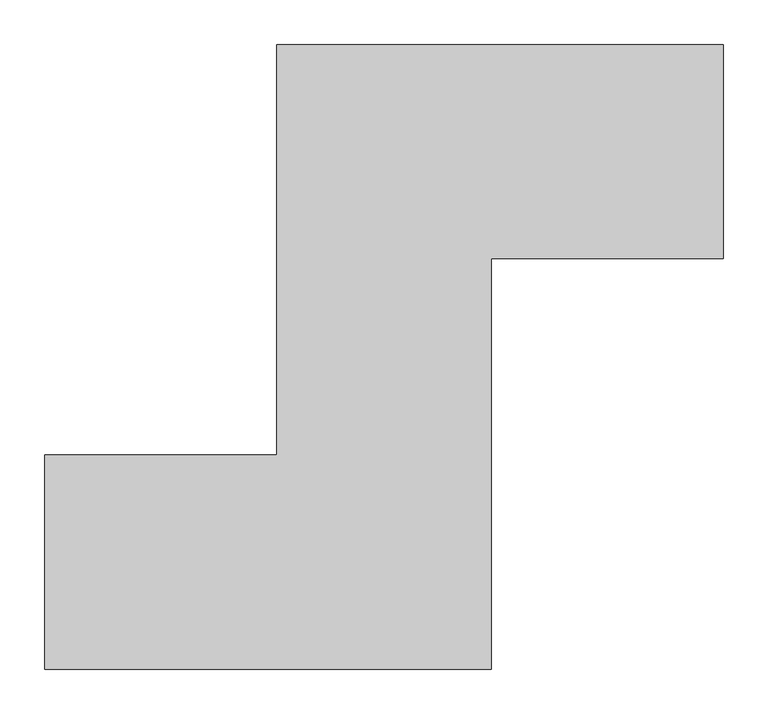
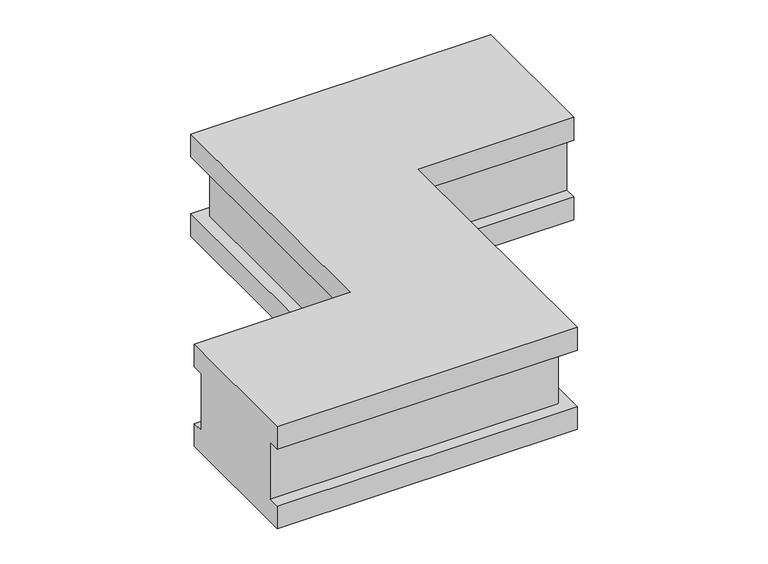
"""IFC4 building model written with IfcOpenShell, lengths in millimetres: proxy geometry."""

import ifcopenshell
import ifcopenshell.guid

model = None  # the IFC model being written
_history = None  # IfcOwnerHistory: only IFC2X3 demands one
_inside = {}  # id of a spatial element -> (the spatial element, [elements in it])
_under = {}  # id of a project, library or spatial element -> (it, [spatial elements below it])
_declared = {}  # id of a project -> (the project, [libraries it declares])
_typed = {}  # id of a type object -> (the type object, [elements of that type])
_made_of = {}  # id of a material, layer set ... -> (it, [elements and type objects made of it])


def new_model(schema):
    """Start an empty IFC model of exactly this schema.

    Asked for "IFC4X3", IfcOpenShell would pick the latest addendum, in which some entities
    have other attributes; the version numbers below select the first issue.
    IFC2X3 requires an IfcOwnerHistory on every rooted entity: one is made here for all.
    """
    global model, _history
    if schema == "IFC4X3":
        model = ifcopenshell.file(schema_version=(4, 3, 0, 0))
    else:
        model = ifcopenshell.file(schema=schema)
    _inside.clear()
    _under.clear()
    _declared.clear()
    _typed.clear()
    _made_of.clear()
    _history = None
    if model.schema == "IFC2X3":
        org = make("IfcOrganization", Name="unknown")
        user = make(
            "IfcPersonAndOrganization",
            ThePerson=make("IfcPerson", FamilyName="unknown"),
            TheOrganization=org,
        )
        app = make(
            "IfcApplication",
            ApplicationDeveloper=org,
            Version="unknown",
            ApplicationFullName="unknown",
            ApplicationIdentifier="unknown",
        )
        _history = make(
            "IfcOwnerHistory",
            OwningUser=user,
            OwningApplication=app,
            ChangeAction="ADDED",
            CreationDate=0,
        )
    return model


def make(cls, **values):
    """One entity of the class cls with the attributes given. An attribute that is None is left unset."""
    return model.create_entity(
        cls, **{name: value for name, value in values.items() if value is not None}
    )


def rooted(cls, **values):
    """An entity with a GlobalId (a new one), such as an element, a storey or a relation."""
    return make(cls, GlobalId=ifcopenshell.guid.new(), OwnerHistory=_history, **values)


def si_unit(unit_type, name, prefix=None):
    """IfcSIUnit, for example si_unit("LENGTHUNIT", "METRE", prefix="MILLI")."""
    return make("IfcSIUnit", UnitType=unit_type, Prefix=prefix, Name=name)


def assignment(units):
    """IfcUnitAssignment: the units of a project."""
    return None if units is None else make("IfcUnitAssignment", Units=units)


def point(xyz):
    """IfcCartesianPoint."""
    return None if xyz is None else make("IfcCartesianPoint", Coordinates=xyz)


def direction(xyz):
    """IfcDirection."""
    return None if xyz is None else make("IfcDirection", DirectionRatios=xyz)


def frame(location, z_axis=None, x_axis=None):
    """IfcAxis2Placement3D, a coordinate frame: its origin and axes. An axis left out is left unset."""
    return make(
        "IfcAxis2Placement3D",
        Location=point(location),
        Axis=direction(z_axis),
        RefDirection=direction(x_axis),
    )


def origin():
    """The frame at (0, 0, 0) with its axes left unset."""
    return frame((0.0, 0.0, 0.0))


def place(relative_to, where):
    """IfcLocalPlacement: puts the frame where relative to a parent placement (None: the world)."""
    return make(
        "IfcLocalPlacement", PlacementRelTo=relative_to, RelativePlacement=where
    )


def context(
    kind, dimensions, precision=None, world=None, true_north=None, identifier=None
):
    """IfcGeometricRepresentationContext, for example the 3D "Model" context."""
    return make(
        "IfcGeometricRepresentationContext",
        ContextIdentifier=identifier,
        ContextType=kind,
        CoordinateSpaceDimension=dimensions,
        Precision=precision,
        WorldCoordinateSystem=world,
        TrueNorth=true_north,
    )


def project(units=None, contexts=None):
    """IfcProject with its units and contexts."""
    return rooted(
        "IfcProject",
        Name="project",
        RepresentationContexts=contexts,
        UnitsInContext=assignment(units),
    )


def spatial(cls, under=None, at=None, **own):
    """A site, building, storey or space (cls), placed at a placement, below another one or the project."""
    s = rooted(cls, ObjectPlacement=at, **own)
    if under is not None:
        _under.setdefault(under.id(), (under, []))[1].append(s)
    return s


def faces_of(points, faces, orient=None, outer=None):
    """IfcFace entities. A face is a list of loops; a loop is a list of indices into points, from 0.

    orient and outer hold one flag for each loop. By default every Orientation is true, the
    first loop of a face is its IfcFaceOuterBound and the others are IfcFaceBound.
    """
    made = []
    for i, loops in enumerate(faces):
        bounds = []
        for j, loop in enumerate(loops):
            is_outer = j == 0 if outer is None else outer[i][j]
            bounds.append(
                make(
                    "IfcFaceOuterBound" if is_outer else "IfcFaceBound",
                    Bound=make("IfcPolyLoop", Polygon=[points[k] for k in loop]),
                    Orientation=True if orient is None else orient[i][j],
                )
            )
        made.append(make("IfcFace", Bounds=bounds))
    return made


def faceted_brep(points, faces, orient=None, outer=None, voids=None):
    """IfcFacetedBrep: a solid bounded by flat faces; with voids (closed shells), ...WithVoids."""
    shared = [point(p) for p in points]
    hull = make("IfcClosedShell", CfsFaces=faces_of(shared, faces, orient, outer))
    if voids is None:
        return make("IfcFacetedBrep", Outer=hull)
    return make(
        "IfcFacetedBrepWithVoids",
        Outer=hull,
        Voids=[
            make(cls, CfsFaces=faces_of(shared, fs, o, b)) for cls, fs, o, b in voids
        ],
    )


def shape(context_of_items, identifier, shape_type, items):
    """IfcShapeRepresentation: the items that make up one representation, for example the "Body"."""
    return make(
        "IfcShapeRepresentation",
        ContextOfItems=context_of_items,
        RepresentationIdentifier=identifier,
        RepresentationType=shape_type,
        Items=items,
    )


def source(mapping_origin, context_of_items, identifier, shape_type, items):
    """IfcRepresentationMap: a shape defined once, which mapped items show again and again."""
    return make(
        "IfcRepresentationMap",
        MappingOrigin=mapping_origin,
        MappedRepresentation=shape(context_of_items, identifier, shape_type, items),
    )


def transform(
    local_origin,
    x_axis=None,
    y_axis=None,
    z_axis=None,
    scale=None,
    scale2=None,
    scale3=None,
    uniform=True,
):
    """IfcCartesianTransformationOperator3D, or its non-uniform kind. x_axis, y_axis, z_axis: its Axis1, 2, 3."""
    if uniform:
        return make(
            "IfcCartesianTransformationOperator3D",
            Axis1=direction(x_axis),
            Axis2=direction(y_axis),
            LocalOrigin=point(local_origin),
            Scale=scale,
            Axis3=direction(z_axis),
        )
    return make(
        "IfcCartesianTransformationOperator3DnonUniform",
        Axis1=direction(x_axis),
        Axis2=direction(y_axis),
        LocalOrigin=point(local_origin),
        Scale=scale,
        Axis3=direction(z_axis),
        Scale2=scale2,
        Scale3=scale3,
    )


def mapped(mapping_source, mapping_target):
    """IfcMappedItem: shows the shape of a source again, moved by a transform."""
    return make(
        "IfcMappedItem", MappingSource=mapping_source, MappingTarget=mapping_target
    )


def made_of(thing, what):
    """Note that an element or type object is made of a material, layer set ...; save() writes the relation."""
    if what is not None:
        _made_of.setdefault(what.id(), (what, []))[1].append(thing)
    return thing


def element(
    cls,
    number,
    at=None,
    inside=None,
    cuts=None,
    type_object=None,
    material=None,
    context=None,
    identifier="Body",
    shape_type=None,
    held_by="IfcProductDefinitionShape",
    body=None,
    shapes=None,
    **own,
):
    """One element of the class cls, such as IfcWall. Its Tag is "e" and its number.

    at: its placement. inside: the storey or other place that contains it. cuts: it is an
    opening in that element (IfcRelVoidsElement). A single representation is given by context,
    identifier, shape_type and body (its items); several are given by shapes. held_by: the class
    of the entity that holds the representations. save() writes the other relations.
    """
    e = rooted(cls, Tag="e%d" % number, ObjectPlacement=at, **own)
    if body is not None:
        shapes = [shape(context, identifier, shape_type, body)]
    if shapes is not None:
        e.Representation = make(held_by, Representations=shapes)
    if inside is not None:
        _inside.setdefault(inside.id(), (inside, []))[1].append(e)
    if cuts is not None:
        rooted(
            "IfcRelVoidsElement", RelatingBuildingElement=cuts, RelatedOpeningElement=e
        )
    if type_object is not None:
        _typed.setdefault(type_object.id(), (type_object, []))[1].append(e)
    return made_of(e, material)


def aggregate(whole, parts):
    """IfcRelAggregates: a whole, such as a stair, and the parts it consists of."""
    return rooted("IfcRelAggregates", RelatingObject=whole, RelatedObjects=parts)


def save(model, path):
    """Write the relations noted so far, then the file.

    IfcRelAggregates (storeys below a building ...), IfcRelContainedInSpatialStructure (elements
    in a storey), IfcRelDefinesByType, IfcRelAssociatesMaterial and IfcRelDeclares: one each for
    every whole, place, type object, material and project.
    """
    for whole, parts in _under.values():
        aggregate(whole, parts)
    for where, things in _inside.values():
        rooted(
            "IfcRelContainedInSpatialStructure",
            RelatedElements=things,
            RelatingStructure=where,
        )
    for kind, things in _typed.values():
        rooted("IfcRelDefinesByType", RelatedObjects=things, RelatingType=kind)
    for what, things in _made_of.values():
        rooted("IfcRelAssociatesMaterial", RelatedObjects=things, RelatingMaterial=what)
    for by, libraries in _declared.values():
        rooted("IfcRelDeclares", RelatingContext=by, RelatedDefinitions=libraries)
    model.write(path)


def electrical_fixtures_c29bbe47(model_context):
    return source(origin(), model_context, "Body", "Brep", [
        faceted_brep([(0.0, 240.0, 180.0), (0.0, 240.0, 140.0), (0.0, 220.0, 140.0), (0.0, 220.0, 40.0), (0.0, 240.0, 40.0), (0.0, 240.0, 0.0), (0.0, 0.0, 0.0), (0.0, 0.0, 40.0), (0.0, 20.0, 40.0), (0.0, 20.0, 140.0), (0.0, 0.0, 140.0), (0.0, 0.0, 180.0), (760.0, 700.0, 180.0), (760.0, 460.0, 180.0), (760.0, 460.0, 140.0), (760.0, 480.0, 140.0), (760.0, 480.0, 40.0), (760.0, 460.0, 40.0), (760.0, 460.0, 0.0), (760.0, 700.0, 0.0), (760.0, 700.0, 40.0), (760.0, 680.0, 40.0), (760.0, 680.0, 140.0), (760.0, 700.0, 140.0), (260.0, 240.0, 180.0), (260.0, 240.0, 140.0), (260.0, 700.0, 140.0), (280.0, 680.0, 140.0), (280.0, 220.0, 140.0), (280.0, 220.0, 40.0), (280.0, 680.0, 40.0), (260.0, 700.0, 40.0), (260.0, 240.0, 40.0), (260.0, 240.0, 0.0), (260.0, 700.0, 0.0), (500.0, 460.0, 0.0), (500.0, 0.0, 0.0), (500.0, 0.0, 40.0), (500.0, 460.0, 40.0), (480.0, 480.0, 40.0), (480.0, 20.0, 40.0), (480.0, 20.0, 140.0), (480.0, 480.0, 140.0), (500.0, 460.0, 140.0), (500.0, 0.0, 140.0), (500.0, 0.0, 180.0), (500.0, 460.0, 180.0), (260.0, 700.0, 180.0)], [[[0, 1, 2, 3, 4, 5, 6, 7, 8, 9, 10, 11]], [[12, 13, 14, 15, 16, 17, 18, 19, 20, 21, 22, 23]], [[1, 0, 24, 25]], [[2, 1, 25, 26, 23, 22, 27, 28]], [[3, 2, 28, 29]], [[4, 3, 29, 30, 21, 20, 31, 32]], [[5, 4, 32, 33]], [[6, 5, 33, 34, 19, 18, 35, 36]], [[7, 6, 36, 37]], [[8, 7, 37, 38, 17, 16, 39, 40]], [[9, 8, 40, 41]], [[10, 9, 41, 42, 15, 14, 43, 44]], [[11, 10, 44, 45]], [[0, 11, 45, 46, 13, 12, 47, 24]], [[25, 24, 47, 26]], [[29, 28, 27, 30]], [[33, 32, 31, 34]], [[37, 36, 35, 38]], [[41, 40, 39, 42]], [[45, 44, 43, 46]], [[26, 47, 12, 23]], [[30, 27, 22, 21]], [[34, 31, 20, 19]], [[38, 35, 18, 17]], [[42, 39, 16, 15]], [[46, 43, 14, 13]]]),
    ])


if __name__ == "__main__":
    model = new_model("IFC4")
    model_context = context("Model", 3, world=origin())
    ifc_project = project(units=[si_unit("LENGTHUNIT", "METRE", prefix="MILLI")], contexts=[model_context])
    site = spatial("IfcSite", under=ifc_project)
    building = spatial("IfcBuilding", under=site)
    placement = place(None, origin())
    electrical_fixtures_shape = electrical_fixtures_c29bbe47(model_context)
    element("IfcBuildingElementProxy", 1, Name="Electrical Fixtures", at=placement, inside=building, context=model_context, shape_type="MappedRepresentation", body=[
        mapped(electrical_fixtures_shape, transform((0.0, 0.0, 0.0), x_axis=(1.0, 0.0, 0.0), y_axis=(0.0, 1.0, 0.0), z_axis=(0.0, 0.0, 1.0))),
    ])
    save(model, "model.ifc")
